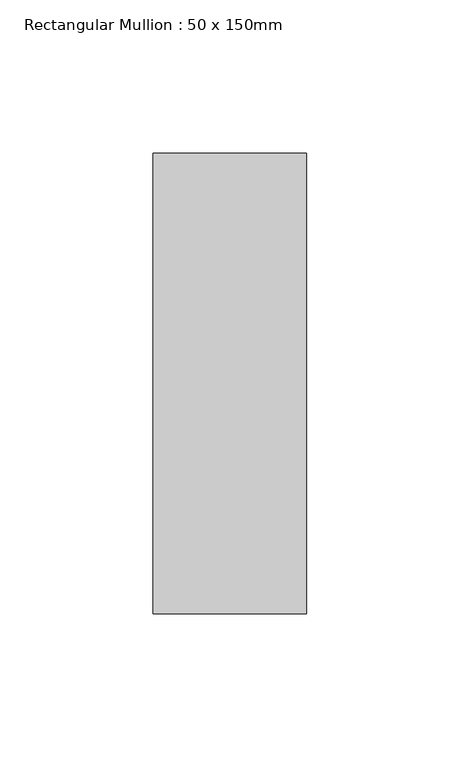
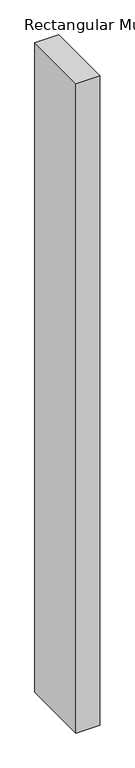
"""IFC4 building model written with IfcOpenShell, lengths in millimetres: member geometry, Rectangular Mullion : 50 x 150mm."""

import ifcopenshell
import ifcopenshell.guid

model = None  # the IFC model being written
_history = None  # IfcOwnerHistory: only IFC2X3 demands one
_inside = {}  # id of a spatial element -> (the spatial element, [elements in it])
_under = {}  # id of a project, library or spatial element -> (it, [spatial elements below it])
_declared = {}  # id of a project -> (the project, [libraries it declares])
_typed = {}  # id of a type object -> (the type object, [elements of that type])
_made_of = {}  # id of a material, layer set ... -> (it, [elements and type objects made of it])


def new_model(schema):
    """Start an empty IFC model of exactly this schema.

    Asked for "IFC4X3", IfcOpenShell would pick the latest addendum, in which some entities
    have other attributes; the version numbers below select the first issue.
    IFC2X3 requires an IfcOwnerHistory on every rooted entity: one is made here for all.
    """
    global model, _history
    if schema == "IFC4X3":
        model = ifcopenshell.file(schema_version=(4, 3, 0, 0))
    else:
        model = ifcopenshell.file(schema=schema)
    _inside.clear()
    _under.clear()
    _declared.clear()
    _typed.clear()
    _made_of.clear()
    _history = None
    if model.schema == "IFC2X3":
        org = make("IfcOrganization", Name="unknown")
        user = make(
            "IfcPersonAndOrganization",
            ThePerson=make("IfcPerson", FamilyName="unknown"),
            TheOrganization=org,
        )
        app = make(
            "IfcApplication",
            ApplicationDeveloper=org,
            Version="unknown",
            ApplicationFullName="unknown",
            ApplicationIdentifier="unknown",
        )
        _history = make(
            "IfcOwnerHistory",
            OwningUser=user,
            OwningApplication=app,
            ChangeAction="ADDED",
            CreationDate=0,
        )
    return model


def make(cls, **values):
    """One entity of the class cls with the attributes given. An attribute that is None is left unset."""
    return model.create_entity(
        cls, **{name: value for name, value in values.items() if value is not None}
    )


def rooted(cls, **values):
    """An entity with a GlobalId (a new one), such as an element, a storey or a relation."""
    return make(cls, GlobalId=ifcopenshell.guid.new(), OwnerHistory=_history, **values)


def si_unit(unit_type, name, prefix=None):
    """IfcSIUnit, for example si_unit("LENGTHUNIT", "METRE", prefix="MILLI")."""
    return make("IfcSIUnit", UnitType=unit_type, Prefix=prefix, Name=name)


def assignment(units):
    """IfcUnitAssignment: the units of a project."""
    return None if units is None else make("IfcUnitAssignment", Units=units)


def point(xyz):
    """IfcCartesianPoint."""
    return None if xyz is None else make("IfcCartesianPoint", Coordinates=xyz)


def direction(xyz):
    """IfcDirection."""
    return None if xyz is None else make("IfcDirection", DirectionRatios=xyz)


def frame(location, z_axis=None, x_axis=None):
    """IfcAxis2Placement3D, a coordinate frame: its origin and axes. An axis left out is left unset."""
    return make(
        "IfcAxis2Placement3D",
        Location=point(location),
        Axis=direction(z_axis),
        RefDirection=direction(x_axis),
    )


def origin():
    """The frame at (0, 0, 0) with its axes left unset."""
    return frame((0.0, 0.0, 0.0))


def place(relative_to, where):
    """IfcLocalPlacement: puts the frame where relative to a parent placement (None: the world)."""
    return make(
        "IfcLocalPlacement", PlacementRelTo=relative_to, RelativePlacement=where
    )


def context(
    kind, dimensions, precision=None, world=None, true_north=None, identifier=None
):
    """IfcGeometricRepresentationContext, for example the 3D "Model" context."""
    return make(
        "IfcGeometricRepresentationContext",
        ContextIdentifier=identifier,
        ContextType=kind,
        CoordinateSpaceDimension=dimensions,
        Precision=precision,
        WorldCoordinateSystem=world,
        TrueNorth=true_north,
    )


def project(units=None, contexts=None):
    """IfcProject with its units and contexts."""
    return rooted(
        "IfcProject",
        Name="project",
        RepresentationContexts=contexts,
        UnitsInContext=assignment(units),
    )


def spatial(cls, under=None, at=None, **own):
    """A site, building, storey or space (cls), placed at a placement, below another one or the project."""
    s = rooted(cls, ObjectPlacement=at, **own)
    if under is not None:
        _under.setdefault(under.id(), (under, []))[1].append(s)
    return s


def polyline(points):
    """IfcPolyline through the points."""
    return make("IfcPolyline", Points=[point(p) for p in points])


def outline(outer, holes=None, kind="AREA"):
    """IfcArbitraryClosedProfileDef: a profile drawn as a closed curve; with holes, ...WithVoids."""
    if holes is None:
        return make("IfcArbitraryClosedProfileDef", ProfileType=kind, OuterCurve=outer)
    return make(
        "IfcArbitraryProfileDefWithVoids",
        ProfileType=kind,
        OuterCurve=outer,
        InnerCurves=holes,
    )


def extrude(swept, where, along, depth):
    """IfcExtrudedAreaSolid: the profile swept, set in the frame where, extruded along a direction by depth."""
    return make(
        "IfcExtrudedAreaSolid",
        SweptArea=swept,
        Position=where,
        ExtrudedDirection=direction(along),
        Depth=depth,
    )


def shape(context_of_items, identifier, shape_type, items):
    """IfcShapeRepresentation: the items that make up one representation, for example the "Body"."""
    return make(
        "IfcShapeRepresentation",
        ContextOfItems=context_of_items,
        RepresentationIdentifier=identifier,
        RepresentationType=shape_type,
        Items=items,
    )


def source(mapping_origin, context_of_items, identifier, shape_type, items):
    """IfcRepresentationMap: a shape defined once, which mapped items show again and again."""
    return make(
        "IfcRepresentationMap",
        MappingOrigin=mapping_origin,
        MappedRepresentation=shape(context_of_items, identifier, shape_type, items),
    )


def transform(
    local_origin,
    x_axis=None,
    y_axis=None,
    z_axis=None,
    scale=None,
    scale2=None,
    scale3=None,
    uniform=True,
):
    """IfcCartesianTransformationOperator3D, or its non-uniform kind. x_axis, y_axis, z_axis: its Axis1, 2, 3."""
    if uniform:
        return make(
            "IfcCartesianTransformationOperator3D",
            Axis1=direction(x_axis),
            Axis2=direction(y_axis),
            LocalOrigin=point(local_origin),
            Scale=scale,
            Axis3=direction(z_axis),
        )
    return make(
        "IfcCartesianTransformationOperator3DnonUniform",
        Axis1=direction(x_axis),
        Axis2=direction(y_axis),
        LocalOrigin=point(local_origin),
        Scale=scale,
        Axis3=direction(z_axis),
        Scale2=scale2,
        Scale3=scale3,
    )


def mapped(mapping_source, mapping_target):
    """IfcMappedItem: shows the shape of a source again, moved by a transform."""
    return make(
        "IfcMappedItem", MappingSource=mapping_source, MappingTarget=mapping_target
    )


def made_of(thing, what):
    """Note that an element or type object is made of a material, layer set ...; save() writes the relation."""
    if what is not None:
        _made_of.setdefault(what.id(), (what, []))[1].append(thing)
    return thing


def element(
    cls,
    number,
    at=None,
    inside=None,
    cuts=None,
    type_object=None,
    material=None,
    context=None,
    identifier="Body",
    shape_type=None,
    held_by="IfcProductDefinitionShape",
    body=None,
    shapes=None,
    **own,
):
    """One element of the class cls, such as IfcWall. Its Tag is "e" and its number.

    at: its placement. inside: the storey or other place that contains it. cuts: it is an
    opening in that element (IfcRelVoidsElement). A single representation is given by context,
    identifier, shape_type and body (its items); several are given by shapes. held_by: the class
    of the entity that holds the representations. save() writes the other relations.
    """
    e = rooted(cls, Tag="e%d" % number, ObjectPlacement=at, **own)
    if body is not None:
        shapes = [shape(context, identifier, shape_type, body)]
    if shapes is not None:
        e.Representation = make(held_by, Representations=shapes)
    if inside is not None:
        _inside.setdefault(inside.id(), (inside, []))[1].append(e)
    if cuts is not None:
        rooted(
            "IfcRelVoidsElement", RelatingBuildingElement=cuts, RelatedOpeningElement=e
        )
    if type_object is not None:
        _typed.setdefault(type_object.id(), (type_object, []))[1].append(e)
    return made_of(e, material)


def aggregate(whole, parts):
    """IfcRelAggregates: a whole, such as a stair, and the parts it consists of."""
    return rooted("IfcRelAggregates", RelatingObject=whole, RelatedObjects=parts)


def save(model, path):
    """Write the relations noted so far, then the file.

    IfcRelAggregates (storeys below a building ...), IfcRelContainedInSpatialStructure (elements
    in a storey), IfcRelDefinesByType, IfcRelAssociatesMaterial and IfcRelDeclares: one each for
    every whole, place, type object, material and project.
    """
    for whole, parts in _under.values():
        aggregate(whole, parts)
    for where, things in _inside.values():
        rooted(
            "IfcRelContainedInSpatialStructure",
            RelatedElements=things,
            RelatingStructure=where,
        )
    for kind, things in _typed.values():
        rooted("IfcRelDefinesByType", RelatedObjects=things, RelatingType=kind)
    for what, things in _made_of.values():
        rooted("IfcRelAssociatesMaterial", RelatedObjects=things, RelatingMaterial=what)
    for by, libraries in _declared.values():
        rooted("IfcRelDeclares", RelatingContext=by, RelatedDefinitions=libraries)
    model.write(path)


def rectangular_mullion_50_x_150mm_15e92df9(model_context):
    return source(origin(), model_context, "Body", "SweptSolid", [
        extrude(outline(polyline([(0.0, 75.0), (0.0, -75.0), (-50.0, -75.0), (-50.0, 75.0), (0.0, 75.0)])), frame((0.0, 0.0, -1448.3381193), z_axis=(0.0, 0.0, 1.0), x_axis=(1.0, 0.0, 0.0)), (0.0, 0.0, 1.0), 1448.3381193),
    ])


if __name__ == "__main__":
    model = new_model("IFC4")
    model_context = context("Model", 3, world=origin())
    ifc_project = project(units=[si_unit("LENGTHUNIT", "METRE", prefix="MILLI")], contexts=[model_context])
    site = spatial("IfcSite", under=ifc_project)
    building = spatial("IfcBuilding", under=site)
    placement = place(None, origin())
    rectangular_mullion_50_x_150mm_shape = rectangular_mullion_50_x_150mm_15e92df9(model_context)
    element("IfcMember", 1, ObjectType="Rectangular Mullion : 50 x 150mm", at=placement, inside=building, context=model_context, shape_type="MappedRepresentation", body=[
        mapped(rectangular_mullion_50_x_150mm_shape, transform((0.0, 0.0, 0.0), x_axis=(1.0, 0.0, 0.0), y_axis=(0.0, 1.0, 0.0), z_axis=(0.0, 0.0, 1.0))),
    ])
    save(model, "model.ifc")
